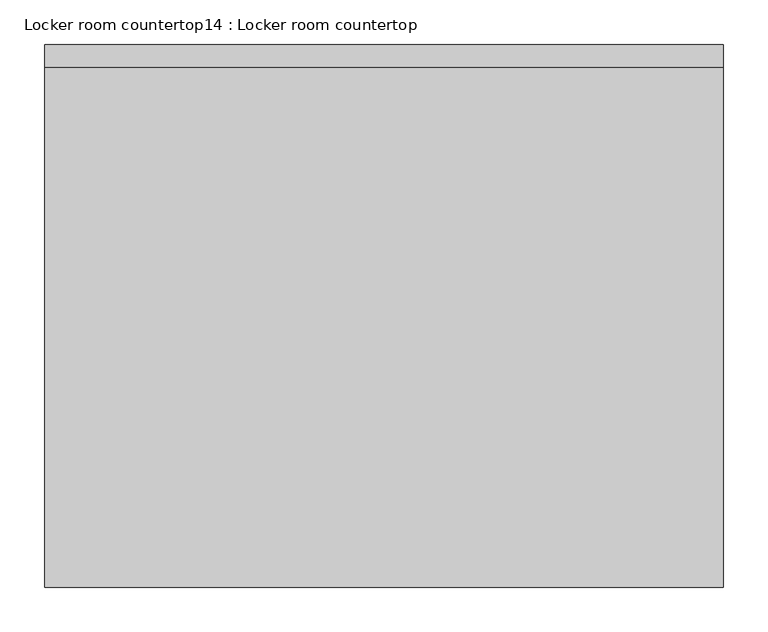
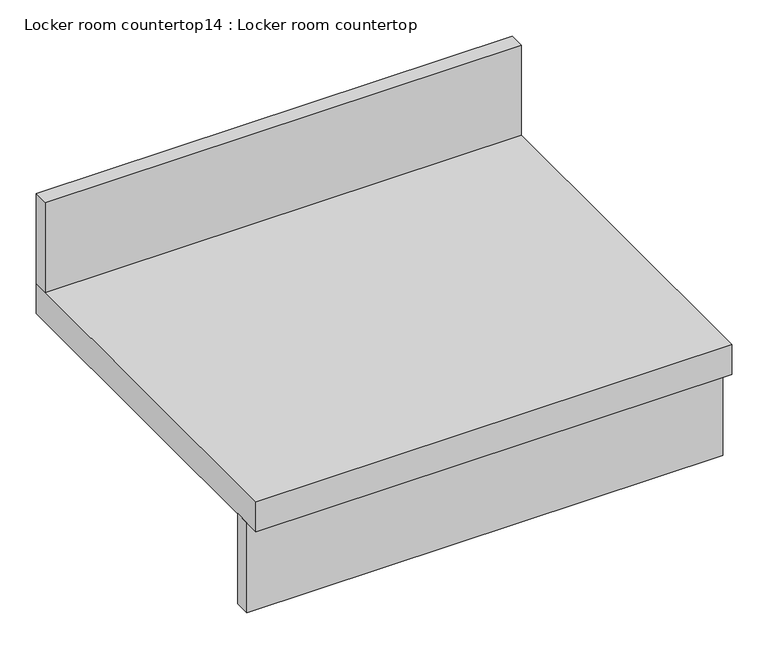
"""IFC4 building model written with IfcOpenShell, lengths in millimetres: furniture geometry, Locker room countertop14 : Locker room countertop."""

import ifcopenshell
import ifcopenshell.guid

model = None  # the IFC model being written
_history = None  # IfcOwnerHistory: only IFC2X3 demands one
_inside = {}  # id of a spatial element -> (the spatial element, [elements in it])
_under = {}  # id of a project, library or spatial element -> (it, [spatial elements below it])
_declared = {}  # id of a project -> (the project, [libraries it declares])
_typed = {}  # id of a type object -> (the type object, [elements of that type])
_made_of = {}  # id of a material, layer set ... -> (it, [elements and type objects made of it])


def new_model(schema):
    """Start an empty IFC model of exactly this schema.

    Asked for "IFC4X3", IfcOpenShell would pick the latest addendum, in which some entities
    have other attributes; the version numbers below select the first issue.
    IFC2X3 requires an IfcOwnerHistory on every rooted entity: one is made here for all.
    """
    global model, _history
    if schema == "IFC4X3":
        model = ifcopenshell.file(schema_version=(4, 3, 0, 0))
    else:
        model = ifcopenshell.file(schema=schema)
    _inside.clear()
    _under.clear()
    _declared.clear()
    _typed.clear()
    _made_of.clear()
    _history = None
    if model.schema == "IFC2X3":
        org = make("IfcOrganization", Name="unknown")
        user = make(
            "IfcPersonAndOrganization",
            ThePerson=make("IfcPerson", FamilyName="unknown"),
            TheOrganization=org,
        )
        app = make(
            "IfcApplication",
            ApplicationDeveloper=org,
            Version="unknown",
            ApplicationFullName="unknown",
            ApplicationIdentifier="unknown",
        )
        _history = make(
            "IfcOwnerHistory",
            OwningUser=user,
            OwningApplication=app,
            ChangeAction="ADDED",
            CreationDate=0,
        )
    return model


def make(cls, **values):
    """One entity of the class cls with the attributes given. An attribute that is None is left unset."""
    return model.create_entity(
        cls, **{name: value for name, value in values.items() if value is not None}
    )


def rooted(cls, **values):
    """An entity with a GlobalId (a new one), such as an element, a storey or a relation."""
    return make(cls, GlobalId=ifcopenshell.guid.new(), OwnerHistory=_history, **values)


def si_unit(unit_type, name, prefix=None):
    """IfcSIUnit, for example si_unit("LENGTHUNIT", "METRE", prefix="MILLI")."""
    return make("IfcSIUnit", UnitType=unit_type, Prefix=prefix, Name=name)


def assignment(units):
    """IfcUnitAssignment: the units of a project."""
    return None if units is None else make("IfcUnitAssignment", Units=units)


def point(xyz):
    """IfcCartesianPoint."""
    return None if xyz is None else make("IfcCartesianPoint", Coordinates=xyz)


def direction(xyz):
    """IfcDirection."""
    return None if xyz is None else make("IfcDirection", DirectionRatios=xyz)


def frame(location, z_axis=None, x_axis=None):
    """IfcAxis2Placement3D, a coordinate frame: its origin and axes. An axis left out is left unset."""
    return make(
        "IfcAxis2Placement3D",
        Location=point(location),
        Axis=direction(z_axis),
        RefDirection=direction(x_axis),
    )


def origin():
    """The frame at (0, 0, 0) with its axes left unset."""
    return frame((0.0, 0.0, 0.0))


def place(relative_to, where):
    """IfcLocalPlacement: puts the frame where relative to a parent placement (None: the world)."""
    return make(
        "IfcLocalPlacement", PlacementRelTo=relative_to, RelativePlacement=where
    )


def context(
    kind, dimensions, precision=None, world=None, true_north=None, identifier=None
):
    """IfcGeometricRepresentationContext, for example the 3D "Model" context."""
    return make(
        "IfcGeometricRepresentationContext",
        ContextIdentifier=identifier,
        ContextType=kind,
        CoordinateSpaceDimension=dimensions,
        Precision=precision,
        WorldCoordinateSystem=world,
        TrueNorth=true_north,
    )


def project(units=None, contexts=None):
    """IfcProject with its units and contexts."""
    return rooted(
        "IfcProject",
        Name="project",
        RepresentationContexts=contexts,
        UnitsInContext=assignment(units),
    )


def spatial(cls, under=None, at=None, **own):
    """A site, building, storey or space (cls), placed at a placement, below another one or the project."""
    s = rooted(cls, ObjectPlacement=at, **own)
    if under is not None:
        _under.setdefault(under.id(), (under, []))[1].append(s)
    return s


def polyline(points):
    """IfcPolyline through the points."""
    return make("IfcPolyline", Points=[point(p) for p in points])


def outline(outer, holes=None, kind="AREA"):
    """IfcArbitraryClosedProfileDef: a profile drawn as a closed curve; with holes, ...WithVoids."""
    if holes is None:
        return make("IfcArbitraryClosedProfileDef", ProfileType=kind, OuterCurve=outer)
    return make(
        "IfcArbitraryProfileDefWithVoids",
        ProfileType=kind,
        OuterCurve=outer,
        InnerCurves=holes,
    )


def extrude(swept, where, along, depth):
    """IfcExtrudedAreaSolid: the profile swept, set in the frame where, extruded along a direction by depth."""
    return make(
        "IfcExtrudedAreaSolid",
        SweptArea=swept,
        Position=where,
        ExtrudedDirection=direction(along),
        Depth=depth,
    )


def shape(context_of_items, identifier, shape_type, items):
    """IfcShapeRepresentation: the items that make up one representation, for example the "Body"."""
    return make(
        "IfcShapeRepresentation",
        ContextOfItems=context_of_items,
        RepresentationIdentifier=identifier,
        RepresentationType=shape_type,
        Items=items,
    )


def source(mapping_origin, context_of_items, identifier, shape_type, items):
    """IfcRepresentationMap: a shape defined once, which mapped items show again and again."""
    return make(
        "IfcRepresentationMap",
        MappingOrigin=mapping_origin,
        MappedRepresentation=shape(context_of_items, identifier, shape_type, items),
    )


def transform(
    local_origin,
    x_axis=None,
    y_axis=None,
    z_axis=None,
    scale=None,
    scale2=None,
    scale3=None,
    uniform=True,
):
    """IfcCartesianTransformationOperator3D, or its non-uniform kind. x_axis, y_axis, z_axis: its Axis1, 2, 3."""
    if uniform:
        return make(
            "IfcCartesianTransformationOperator3D",
            Axis1=direction(x_axis),
            Axis2=direction(y_axis),
            LocalOrigin=point(local_origin),
            Scale=scale,
            Axis3=direction(z_axis),
        )
    return make(
        "IfcCartesianTransformationOperator3DnonUniform",
        Axis1=direction(x_axis),
        Axis2=direction(y_axis),
        LocalOrigin=point(local_origin),
        Scale=scale,
        Axis3=direction(z_axis),
        Scale2=scale2,
        Scale3=scale3,
    )


def mapped(mapping_source, mapping_target):
    """IfcMappedItem: shows the shape of a source again, moved by a transform."""
    return make(
        "IfcMappedItem", MappingSource=mapping_source, MappingTarget=mapping_target
    )


def made_of(thing, what):
    """Note that an element or type object is made of a material, layer set ...; save() writes the relation."""
    if what is not None:
        _made_of.setdefault(what.id(), (what, []))[1].append(thing)
    return thing


def element(
    cls,
    number,
    at=None,
    inside=None,
    cuts=None,
    type_object=None,
    material=None,
    context=None,
    identifier="Body",
    shape_type=None,
    held_by="IfcProductDefinitionShape",
    body=None,
    shapes=None,
    **own,
):
    """One element of the class cls, such as IfcWall. Its Tag is "e" and its number.

    at: its placement. inside: the storey or other place that contains it. cuts: it is an
    opening in that element (IfcRelVoidsElement). A single representation is given by context,
    identifier, shape_type and body (its items); several are given by shapes. held_by: the class
    of the entity that holds the representations. save() writes the other relations.
    """
    e = rooted(cls, Tag="e%d" % number, ObjectPlacement=at, **own)
    if body is not None:
        shapes = [shape(context, identifier, shape_type, body)]
    if shapes is not None:
        e.Representation = make(held_by, Representations=shapes)
    if inside is not None:
        _inside.setdefault(inside.id(), (inside, []))[1].append(e)
    if cuts is not None:
        rooted(
            "IfcRelVoidsElement", RelatingBuildingElement=cuts, RelatedOpeningElement=e
        )
    if type_object is not None:
        _typed.setdefault(type_object.id(), (type_object, []))[1].append(e)
    return made_of(e, material)


def aggregate(whole, parts):
    """IfcRelAggregates: a whole, such as a stair, and the parts it consists of."""
    return rooted("IfcRelAggregates", RelatingObject=whole, RelatedObjects=parts)


def save(model, path):
    """Write the relations noted so far, then the file.

    IfcRelAggregates (storeys below a building ...), IfcRelContainedInSpatialStructure (elements
    in a storey), IfcRelDefinesByType, IfcRelAssociatesMaterial and IfcRelDeclares: one each for
    every whole, place, type object, material and project.
    """
    for whole, parts in _under.values():
        aggregate(whole, parts)
    for where, things in _inside.values():
        rooted(
            "IfcRelContainedInSpatialStructure",
            RelatedElements=things,
            RelatingStructure=where,
        )
    for kind, things in _typed.values():
        rooted("IfcRelDefinesByType", RelatedObjects=things, RelatingType=kind)
    for what, things in _made_of.values():
        rooted("IfcRelAssociatesMaterial", RelatedObjects=things, RelatingMaterial=what)
    for by, libraries in _declared.values():
        rooted("IfcRelDeclares", RelatingContext=by, RelatedDefinitions=libraries)
    model.write(path)


def locker_room_countertop14_locker_room_countertop_b4650568(model_context):
    return source(origin(), model_context, "Body", "SweptSolid", [
        extrude(outline(polyline([(454782.0254676, -361372.9238632), (454782.0254676, -361347.5238632), (455544.0254676, -361347.5238632), (455544.0254676, -361372.9238632), (454782.0254676, -361372.9238632)])), frame((0.0, 0.0, 660.4), z_axis=(0.0, 0.0, 1.0), x_axis=(1.0, 0.0, 0.0)), (0.0, 0.0, 1.0), 152.4),
        extrude(outline(polyline([(455544.0254676, -360814.1238632), (454782.0254676, -360814.1238632), (454782.0254676, -360788.7238632), (455544.0254676, -360788.7238632), (455544.0254676, -360814.1238632)])), frame((0.0, 0.0, 863.6), z_axis=(0.0, 0.0, 1.0), x_axis=(1.0, 0.0, 0.0)), (0.0, 0.0, 1.0), 152.4),
        extrude(outline(polyline([(455544.0254676, -361398.3238632), (454782.0254676, -361398.3238632), (454782.0254676, -360788.7238632), (455544.0254676, -360788.7238632), (455544.0254676, -361398.3238632)])), frame((0.0, 0.0, 812.8), z_axis=(0.0, 0.0, 1.0), x_axis=(1.0, 0.0, 0.0)), (0.0, 0.0, 1.0), 50.8),
    ])


if __name__ == "__main__":
    model = new_model("IFC4")
    model_context = context("Model", 3, world=origin())
    ifc_project = project(units=[si_unit("LENGTHUNIT", "METRE", prefix="MILLI")], contexts=[model_context])
    site = spatial("IfcSite", under=ifc_project)
    building = spatial("IfcBuilding", under=site)
    placement = place(None, origin())
    locker_room_countertop14_locker_room_countertop_shape = locker_room_countertop14_locker_room_countertop_b4650568(model_context)
    element("IfcFurniture", 1, ObjectType="Locker room countertop14 : Locker room countertop", at=placement, inside=building, context=model_context, shape_type="MappedRepresentation", body=[
        mapped(locker_room_countertop14_locker_room_countertop_shape, transform((0.0, 0.0, 0.0), x_axis=(1.0, 0.0, 0.0), y_axis=(0.0, 1.0, 0.0), z_axis=(0.0, 0.0, 1.0))),
    ])
    save(model, "model.ifc")
